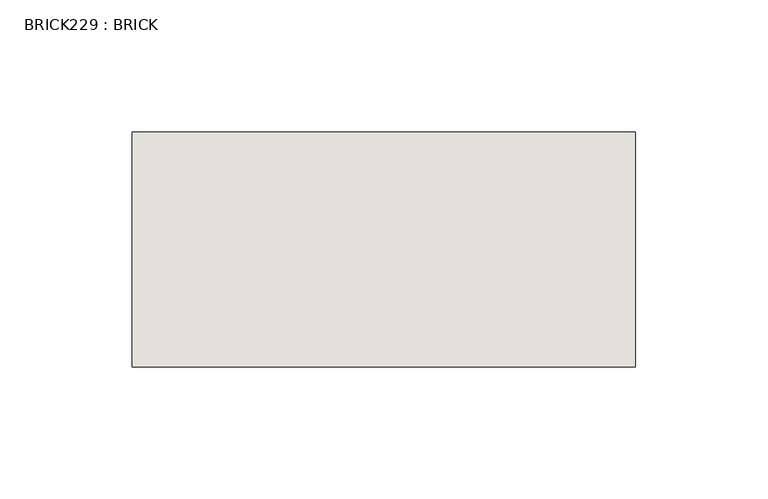
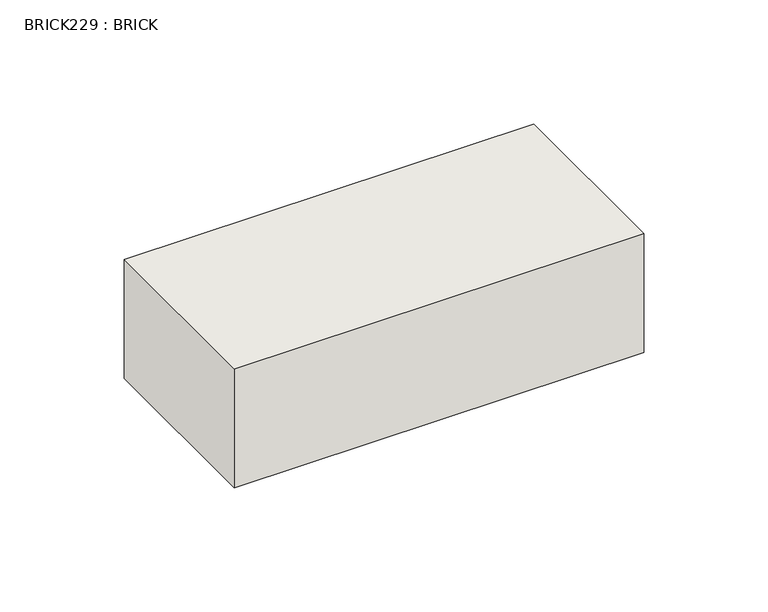
"""IFC4 building model written with IfcOpenShell, lengths in millimetres: wall geometry, BRICK229 : BRICK."""

from ifc_helpers import new_model, si_unit, frame, origin, place, context, project, spatial, polyline, outline, extrude, source, transform, mapped, element, save


def brick229_brick_4af6c5d6(model_context):
    return source(origin(), model_context, "Body", "SweptSolid", [
        extrude(outline(polyline([(-1581.5316239, 3062.3923312), (-1391.0316239, 3062.3923312), (-1391.0316239, 2973.4923312), (-1581.5316239, 2973.4923312), (-1581.5316239, 3062.3923312)])), frame((0.0, 0.0, 214.0148438), z_axis=(0.0, 0.0, 1.0), x_axis=(1.0, 0.0, 0.0)), (0.0, 0.0, 1.0), 58.4398437),
    ])


if __name__ == "__main__":
    model = new_model("IFC4")
    model_context = context("Model", 3, world=origin())
    ifc_project = project(units=[si_unit("LENGTHUNIT", "METRE", prefix="MILLI")], contexts=[model_context])
    site = spatial("IfcSite", under=ifc_project)
    building = spatial("IfcBuilding", under=site)
    placement = place(None, origin())
    brick229_brick_shape = brick229_brick_4af6c5d6(model_context)
    element("IfcWall", 1, ObjectType="BRICK229 : BRICK", at=placement, inside=building, context=model_context, shape_type="MappedRepresentation", body=[
        mapped(brick229_brick_shape, transform((0.0, 0.0, 0.0), x_axis=(1.0, 0.0, 0.0), y_axis=(0.0, 1.0, 0.0), z_axis=(0.0, 0.0, 1.0))),
    ])
    save(model, "model.ifc")
